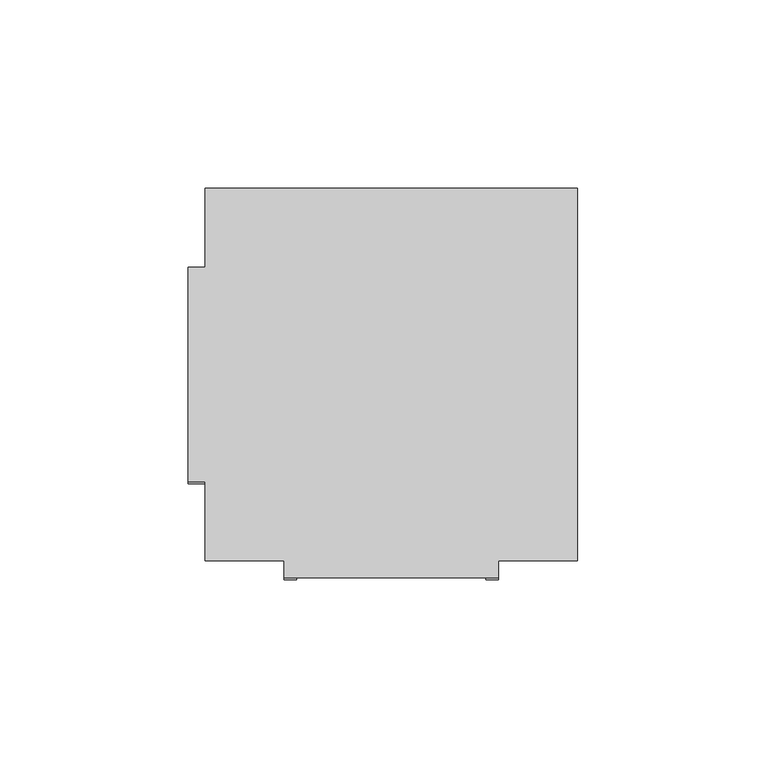
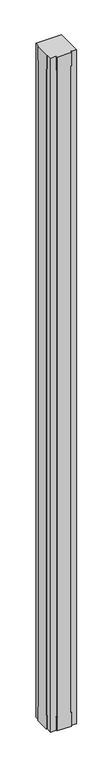
"""IFC4 building model written with IfcOpenShell, lengths in millimetres: furniture geometry."""

from ifc_helpers import new_model, si_unit, origin, place, context, project, spatial, faceted_brep, source, transform, mapped, element, save


def furniture_8266a1f2(model_context):
    return source(origin(), model_context, "Body", "Brep", [
        faceted_brep([(79.121, -307.975, 55.118), (79.121, -307.975, 2688.082), (82.423, -307.975, 2688.082), (82.423, -307.975, 2743.2), (25.527, -307.975, 2743.2), (25.527, -307.975, 2688.082), (28.829, -307.975, 2688.082), (28.829, -307.975, 55.118), (25.527, -307.975, 55.118), (25.527, -307.975, 0.0), (82.423, -307.975, 0.0), (82.423, -307.975, 55.118), (79.121, -303.4792, 55.118), (79.121, -303.4792, 2688.082), (82.423, -303.4792, 2688.082), (82.423, -303.4792, 2743.2), (103.4542, -303.4792, 2743.2), (103.4542, -204.5208, 2743.2), (4.4958, -204.5208, 2743.2), (4.4958, -225.552, 2743.2), (0.0, -225.552, 2743.2), (0.0, -282.448, 2743.2), (4.4958, -282.448, 2743.2), (4.4958, -303.4792, 2743.2), (25.527, -303.4792, 2743.2), (25.527, -303.4792, 2688.082), (28.829, -303.4792, 2688.082), (28.829, -303.4792, 55.118), (25.527, -303.4792, 55.118), (25.527, -303.4792, 0.0), (4.4958, -303.4792, 0.0), (4.4958, -282.448, 0.0), (0.0, -282.448, 0.0), (0.0, -225.552, 0.0), (4.4958, -225.552, 0.0), (4.4958, -204.5208, 0.0), (103.4542, -204.5208, 0.0), (103.4542, -303.4792, 0.0), (82.423, -303.4792, 0.0), (82.423, -303.4792, 55.118), (4.4958, -225.552, 55.118), (4.4958, -228.854, 55.118), (4.4958, -228.854, 2688.082), (4.4958, -225.552, 2688.082), (4.4958, -282.448, 2688.082), (4.4958, -279.146, 2688.082), (4.4958, -279.146, 55.118), (4.4958, -282.448, 55.118), (0.0, -228.854, 55.118), (0.0, -225.552, 55.118), (0.0, -282.448, 55.118), (0.0, -279.146, 55.118), (0.0, -279.146, 2688.082), (0.0, -282.448, 2688.082), (0.0, -225.552, 2688.082), (0.0, -228.854, 2688.082)], [[[0, 1, 2, 3, 4, 5, 6, 7, 8, 9, 10, 11]], [[1, 0, 12, 13]], [[2, 1, 13, 14]], [[3, 2, 14, 15]], [[4, 3, 15, 16, 17, 18, 19, 20, 21, 22, 23, 24]], [[5, 4, 24, 25]], [[6, 5, 25, 26]], [[7, 6, 26, 27]], [[8, 7, 27, 28]], [[9, 8, 28, 29]], [[10, 9, 29, 30, 31, 32, 33, 34, 35, 36, 37, 38]], [[11, 10, 38, 39]], [[0, 11, 39, 12]], [[18, 17, 36, 35]], [[18, 35, 34, 40, 41, 42, 43, 19]], [[30, 23, 22, 44, 45, 46, 47, 31]], [[23, 30, 29, 28, 27, 26, 25, 24]], [[37, 16, 15, 14, 13, 12, 39, 38]], [[17, 16, 37, 36]], [[48, 49, 33, 32, 50, 51, 52, 53, 21, 20, 54, 55]], [[48, 55, 42, 41]], [[55, 54, 43, 42]], [[54, 20, 19, 43]], [[21, 53, 44, 22]], [[53, 52, 45, 44]], [[52, 51, 46, 45]], [[51, 50, 47, 46]], [[50, 32, 31, 47]], [[33, 49, 40, 34]], [[49, 48, 41, 40]]]),
    ])


if __name__ == "__main__":
    model = new_model("IFC4")
    model_context = context("Model", 3, world=origin())
    ifc_project = project(units=[si_unit("LENGTHUNIT", "METRE", prefix="MILLI")], contexts=[model_context])
    site = spatial("IfcSite", under=ifc_project)
    building = spatial("IfcBuilding", under=site)
    placement = place(None, origin())
    furniture_shape = furniture_8266a1f2(model_context)
    element("IfcFurniture", 1, at=placement, inside=building, context=model_context, shape_type="MappedRepresentation", body=[
        mapped(furniture_shape, transform((0.0, 0.0, 0.0), x_axis=(1.0, 0.0, 0.0), y_axis=(0.0, 1.0, 0.0), z_axis=(0.0, 0.0, 1.0))),
    ])
    save(model, "model.ifc")
